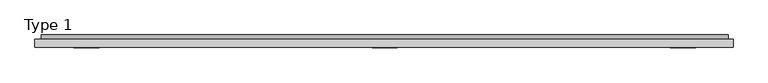
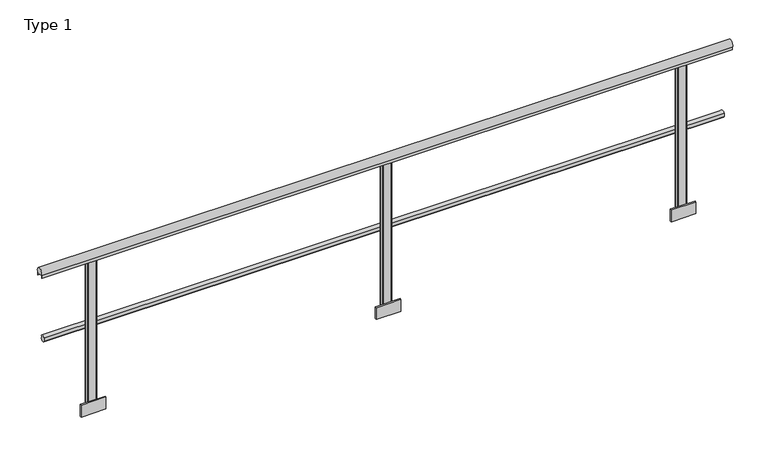
"""IFC4 building model written with IfcOpenShell, lengths in millimetres: railing geometry, Type 1."""

import ifcopenshell
import ifcopenshell.guid

model = None  # the IFC model being written
_history = None  # IfcOwnerHistory: only IFC2X3 demands one
_inside = {}  # id of a spatial element -> (the spatial element, [elements in it])
_under = {}  # id of a project, library or spatial element -> (it, [spatial elements below it])
_declared = {}  # id of a project -> (the project, [libraries it declares])
_typed = {}  # id of a type object -> (the type object, [elements of that type])
_made_of = {}  # id of a material, layer set ... -> (it, [elements and type objects made of it])


def new_model(schema):
    """Start an empty IFC model of exactly this schema.

    Asked for "IFC4X3", IfcOpenShell would pick the latest addendum, in which some entities
    have other attributes; the version numbers below select the first issue.
    IFC2X3 requires an IfcOwnerHistory on every rooted entity: one is made here for all.
    """
    global model, _history
    if schema == "IFC4X3":
        model = ifcopenshell.file(schema_version=(4, 3, 0, 0))
    else:
        model = ifcopenshell.file(schema=schema)
    _inside.clear()
    _under.clear()
    _declared.clear()
    _typed.clear()
    _made_of.clear()
    _history = None
    if model.schema == "IFC2X3":
        org = make("IfcOrganization", Name="unknown")
        user = make(
            "IfcPersonAndOrganization",
            ThePerson=make("IfcPerson", FamilyName="unknown"),
            TheOrganization=org,
        )
        app = make(
            "IfcApplication",
            ApplicationDeveloper=org,
            Version="unknown",
            ApplicationFullName="unknown",
            ApplicationIdentifier="unknown",
        )
        _history = make(
            "IfcOwnerHistory",
            OwningUser=user,
            OwningApplication=app,
            ChangeAction="ADDED",
            CreationDate=0,
        )
    return model


def make(cls, **values):
    """One entity of the class cls with the attributes given. An attribute that is None is left unset."""
    return model.create_entity(
        cls, **{name: value for name, value in values.items() if value is not None}
    )


def rooted(cls, **values):
    """An entity with a GlobalId (a new one), such as an element, a storey or a relation."""
    return make(cls, GlobalId=ifcopenshell.guid.new(), OwnerHistory=_history, **values)


def si_unit(unit_type, name, prefix=None):
    """IfcSIUnit, for example si_unit("LENGTHUNIT", "METRE", prefix="MILLI")."""
    return make("IfcSIUnit", UnitType=unit_type, Prefix=prefix, Name=name)


def assignment(units):
    """IfcUnitAssignment: the units of a project."""
    return None if units is None else make("IfcUnitAssignment", Units=units)


def point(xyz):
    """IfcCartesianPoint."""
    return None if xyz is None else make("IfcCartesianPoint", Coordinates=xyz)


def direction(xyz):
    """IfcDirection."""
    return None if xyz is None else make("IfcDirection", DirectionRatios=xyz)


def frame(location, z_axis=None, x_axis=None):
    """IfcAxis2Placement3D, a coordinate frame: its origin and axes. An axis left out is left unset."""
    return make(
        "IfcAxis2Placement3D",
        Location=point(location),
        Axis=direction(z_axis),
        RefDirection=direction(x_axis),
    )


def frame_2d(location, x_axis=None):
    """IfcAxis2Placement2D, a coordinate frame in the plane: its origin and x axis."""
    return make(
        "IfcAxis2Placement2D", Location=point(location), RefDirection=direction(x_axis)
    )


def origin():
    """The frame at (0, 0, 0) with its axes left unset."""
    return frame((0.0, 0.0, 0.0))


def place(relative_to, where):
    """IfcLocalPlacement: puts the frame where relative to a parent placement (None: the world)."""
    return make(
        "IfcLocalPlacement", PlacementRelTo=relative_to, RelativePlacement=where
    )


def context(
    kind, dimensions, precision=None, world=None, true_north=None, identifier=None
):
    """IfcGeometricRepresentationContext, for example the 3D "Model" context."""
    return make(
        "IfcGeometricRepresentationContext",
        ContextIdentifier=identifier,
        ContextType=kind,
        CoordinateSpaceDimension=dimensions,
        Precision=precision,
        WorldCoordinateSystem=world,
        TrueNorth=true_north,
    )


def project(units=None, contexts=None):
    """IfcProject with its units and contexts."""
    return rooted(
        "IfcProject",
        Name="project",
        RepresentationContexts=contexts,
        UnitsInContext=assignment(units),
    )


def spatial(cls, under=None, at=None, **own):
    """A site, building, storey or space (cls), placed at a placement, below another one or the project."""
    s = rooted(cls, ObjectPlacement=at, **own)
    if under is not None:
        _under.setdefault(under.id(), (under, []))[1].append(s)
    return s


def polyline(points):
    """IfcPolyline through the points."""
    return make("IfcPolyline", Points=[point(p) for p in points])


def circle_curve(where, radius):
    """IfcCircle in the frame where."""
    return make("IfcCircle", Position=where, Radius=radius)


def trimmed(basis, trim1, trim2, sense, master):
    """IfcTrimmedCurve: the piece of a basis curve between two trims."""
    return make(
        "IfcTrimmedCurve",
        BasisCurve=basis,
        Trim1=trim1,
        Trim2=trim2,
        SenseAgreement=sense,
        MasterRepresentation=master,
    )


def segment(curve, same_sense, transition):
    """IfcCompositeCurveSegment."""
    return make(
        "IfcCompositeCurveSegment",
        Transition=transition,
        SameSense=same_sense,
        ParentCurve=curve,
    )


def composite_curve(segments, self_intersect=None):
    """IfcCompositeCurve: segments joined end to end."""
    return make("IfcCompositeCurve", Segments=segments, SelfIntersect=self_intersect)


def outline(outer, holes=None, kind="AREA"):
    """IfcArbitraryClosedProfileDef: a profile drawn as a closed curve; with holes, ...WithVoids."""
    if holes is None:
        return make("IfcArbitraryClosedProfileDef", ProfileType=kind, OuterCurve=outer)
    return make(
        "IfcArbitraryProfileDefWithVoids",
        ProfileType=kind,
        OuterCurve=outer,
        InnerCurves=holes,
    )


def extrude(swept, where, along, depth):
    """IfcExtrudedAreaSolid: the profile swept, set in the frame where, extruded along a direction by depth."""
    return make(
        "IfcExtrudedAreaSolid",
        SweptArea=swept,
        Position=where,
        ExtrudedDirection=direction(along),
        Depth=depth,
    )


def shape(context_of_items, identifier, shape_type, items):
    """IfcShapeRepresentation: the items that make up one representation, for example the "Body"."""
    return make(
        "IfcShapeRepresentation",
        ContextOfItems=context_of_items,
        RepresentationIdentifier=identifier,
        RepresentationType=shape_type,
        Items=items,
    )


def source(mapping_origin, context_of_items, identifier, shape_type, items):
    """IfcRepresentationMap: a shape defined once, which mapped items show again and again."""
    return make(
        "IfcRepresentationMap",
        MappingOrigin=mapping_origin,
        MappedRepresentation=shape(context_of_items, identifier, shape_type, items),
    )


def transform(
    local_origin,
    x_axis=None,
    y_axis=None,
    z_axis=None,
    scale=None,
    scale2=None,
    scale3=None,
    uniform=True,
):
    """IfcCartesianTransformationOperator3D, or its non-uniform kind. x_axis, y_axis, z_axis: its Axis1, 2, 3."""
    if uniform:
        return make(
            "IfcCartesianTransformationOperator3D",
            Axis1=direction(x_axis),
            Axis2=direction(y_axis),
            LocalOrigin=point(local_origin),
            Scale=scale,
            Axis3=direction(z_axis),
        )
    return make(
        "IfcCartesianTransformationOperator3DnonUniform",
        Axis1=direction(x_axis),
        Axis2=direction(y_axis),
        LocalOrigin=point(local_origin),
        Scale=scale,
        Axis3=direction(z_axis),
        Scale2=scale2,
        Scale3=scale3,
    )


def mapped(mapping_source, mapping_target):
    """IfcMappedItem: shows the shape of a source again, moved by a transform."""
    return make(
        "IfcMappedItem", MappingSource=mapping_source, MappingTarget=mapping_target
    )


def made_of(thing, what):
    """Note that an element or type object is made of a material, layer set ...; save() writes the relation."""
    if what is not None:
        _made_of.setdefault(what.id(), (what, []))[1].append(thing)
    return thing


def element(
    cls,
    number,
    at=None,
    inside=None,
    cuts=None,
    type_object=None,
    material=None,
    context=None,
    identifier="Body",
    shape_type=None,
    held_by="IfcProductDefinitionShape",
    body=None,
    shapes=None,
    **own,
):
    """One element of the class cls, such as IfcWall. Its Tag is "e" and its number.

    at: its placement. inside: the storey or other place that contains it. cuts: it is an
    opening in that element (IfcRelVoidsElement). A single representation is given by context,
    identifier, shape_type and body (its items); several are given by shapes. held_by: the class
    of the entity that holds the representations. save() writes the other relations.
    """
    e = rooted(cls, Tag="e%d" % number, ObjectPlacement=at, **own)
    if body is not None:
        shapes = [shape(context, identifier, shape_type, body)]
    if shapes is not None:
        e.Representation = make(held_by, Representations=shapes)
    if inside is not None:
        _inside.setdefault(inside.id(), (inside, []))[1].append(e)
    if cuts is not None:
        rooted(
            "IfcRelVoidsElement", RelatingBuildingElement=cuts, RelatedOpeningElement=e
        )
    if type_object is not None:
        _typed.setdefault(type_object.id(), (type_object, []))[1].append(e)
    return made_of(e, material)


def aggregate(whole, parts):
    """IfcRelAggregates: a whole, such as a stair, and the parts it consists of."""
    return rooted("IfcRelAggregates", RelatingObject=whole, RelatedObjects=parts)


def save(model, path):
    """Write the relations noted so far, then the file.

    IfcRelAggregates (storeys below a building ...), IfcRelContainedInSpatialStructure (elements
    in a storey), IfcRelDefinesByType, IfcRelAssociatesMaterial and IfcRelDeclares: one each for
    every whole, place, type object, material and project.
    """
    for whole, parts in _under.values():
        aggregate(whole, parts)
    for where, things in _inside.values():
        rooted(
            "IfcRelContainedInSpatialStructure",
            RelatedElements=things,
            RelatingStructure=where,
        )
    for kind, things in _typed.values():
        rooted("IfcRelDefinesByType", RelatedObjects=things, RelatingType=kind)
    for what, things in _made_of.values():
        rooted("IfcRelAssociatesMaterial", RelatedObjects=things, RelatingMaterial=what)
    for by, libraries in _declared.values():
        rooted("IfcRelDeclares", RelatingContext=by, RelatedDefinitions=libraries)
    model.write(path)


def type_1_547a4255(model_context):
    return source(origin(), model_context, "Body", "SweptSolid", [
        extrude(outline(composite_curve([segment(trimmed(circle_curve(frame_2d((15.712495, 488.0)), 20.0), [point((34.3, 480.617273))], [point((0.0, 475.6259343))], False, "CARTESIAN"), True, "CONTINUOUS"), segment(polyline([(0.0, 475.6259343), (0.0, 500.3740657)]), True, "CONTINUOUS"), segment(trimmed(circle_curve(frame_2d((15.712495, 488.0)), 20.0), [point((0.0, 500.3740657))], [point((34.3, 495.382727))], False, "CARTESIAN"), True, "CONTINUOUS"), segment(polyline([(34.3, 495.382727), (30.3, 495.382727), (30.3, 480.617273), (34.3, 480.617273)]), True, "CONTINUOUS")], self_intersect=False)), frame((-260.0, 0.0, 0.0), z_axis=(1.0, 0.0, 0.0), x_axis=(0.0, 1.0, 0.0)), (0.0, 0.0, 1.0), 4360.0),
        extrude(outline(composite_curve([segment(trimmed(circle_curve(frame_2d((-19.0, 975.0)), 25.0), [point((-40.0, 961.43534))], [point((2.0, 961.43534))], False, "CARTESIAN"), True, "CONTINUOUS"), segment(polyline([(2.0, 961.43534), (2.0, 943.0), (1.0, 943.0), (1.0, 958.0), (-39.0, 958.0), (-39.0, 943.0), (-40.0, 943.0), (-40.0, 961.43534)]), True, "CONTINUOUS")], self_intersect=False)), frame((-300.0, 0.0, 0.0), z_axis=(1.0, 0.0, 0.0), x_axis=(0.0, 1.0, 0.0)), (0.0, 0.0, 1.0), 4430.0),
        extrude(outline(polyline([(2000.0, -48.5), (1840.0, -48.5), (1840.0, -38.0), (2000.0, -38.0), (2000.0, -48.5)])), frame((0.0, 0.0, -80.0), z_axis=(0.0, 0.0, 1.0), x_axis=(1.0, 0.0, 0.0)), (0.0, 0.0, 1.0), 80.0),
        extrude(outline(composite_curve([segment(trimmed(circle_curve(frame_2d((1897.0, -33.0)), 5.0), [point((1897.0, -38.0))], [point((1892.0, -33.0))], False, "CARTESIAN"), True, "CONTINUOUS"), segment(polyline([(1892.0, -33.0), (1892.0, -5.0)]), True, "CONTINUOUS"), segment(trimmed(circle_curve(frame_2d((1897.0, -5.0)), 5.0), [point((1892.0, -5.0))], [point((1897.0, 0.0))], False, "CARTESIAN"), True, "CONTINUOUS"), segment(polyline([(1897.0, 0.0), (1943.0, 0.0)]), True, "CONTINUOUS"), segment(trimmed(circle_curve(frame_2d((1943.0, -5.0)), 5.0), [point((1943.0, 0.0))], [point((1948.0, -5.0))], False, "CARTESIAN"), True, "CONTINUOUS"), segment(polyline([(1948.0, -5.0), (1948.0, -33.0)]), True, "CONTINUOUS"), segment(trimmed(circle_curve(frame_2d((1943.0, -33.0)), 5.0), [point((1948.0, -33.0))], [point((1943.0, -38.0))], False, "CARTESIAN"), True, "CONTINUOUS"), segment(polyline([(1943.0, -38.0), (1897.0, -38.0)]), True, "CONTINUOUS")], self_intersect=False)), frame((0.0, 0.0, -80.0), z_axis=(0.0, 0.0, 1.0), x_axis=(1.0, 0.0, 0.0)), (0.0, 0.0, 1.0), 1038.0),
        extrude(outline(polyline([(3892.0, -48.5), (3732.0, -48.5), (3732.0, -38.0), (3892.0, -38.0), (3892.0, -48.5)])), frame((0.0, 0.0, -80.0), z_axis=(0.0, 0.0, 1.0), x_axis=(1.0, 0.0, 0.0)), (0.0, 0.0, 1.0), 80.0),
        extrude(outline(composite_curve([segment(trimmed(circle_curve(frame_2d((3789.0, -33.0)), 5.0), [point((3789.0, -38.0))], [point((3784.0, -33.0))], False, "CARTESIAN"), True, "CONTINUOUS"), segment(polyline([(3784.0, -33.0), (3784.0, -5.0)]), True, "CONTINUOUS"), segment(trimmed(circle_curve(frame_2d((3789.0, -5.0)), 5.0), [point((3784.0, -5.0))], [point((3789.0, 0.0))], False, "CARTESIAN"), True, "CONTINUOUS"), segment(polyline([(3789.0, 0.0), (3835.0, 0.0)]), True, "CONTINUOUS"), segment(trimmed(circle_curve(frame_2d((3835.0, -5.0)), 5.0), [point((3835.0, 0.0))], [point((3840.0, -5.0))], False, "CARTESIAN"), True, "CONTINUOUS"), segment(polyline([(3840.0, -5.0), (3840.0, -33.0)]), True, "CONTINUOUS"), segment(trimmed(circle_curve(frame_2d((3835.0, -33.0)), 5.0), [point((3840.0, -33.0))], [point((3835.0, -38.0))], False, "CARTESIAN"), True, "CONTINUOUS"), segment(polyline([(3835.0, -38.0), (3789.0, -38.0)]), True, "CONTINUOUS")], self_intersect=False)), frame((0.0, 0.0, -80.0), z_axis=(0.0, 0.0, 1.0), x_axis=(1.0, 0.0, 0.0)), (0.0, 0.0, 1.0), 1038.0),
        extrude(outline(polyline([(108.0, -48.5), (-52.0, -48.5), (-52.0, -38.0), (108.0, -38.0), (108.0, -48.5)])), frame((0.0, 0.0, -80.0), z_axis=(0.0, 0.0, 1.0), x_axis=(1.0, 0.0, 0.0)), (0.0, 0.0, 1.0), 80.0),
        extrude(outline(composite_curve([segment(trimmed(circle_curve(frame_2d((5.0, -33.0)), 5.0), [point((5.0, -38.0))], [point((0.0, -33.0))], False, "CARTESIAN"), True, "CONTINUOUS"), segment(polyline([(0.0, -33.0), (0.0, -5.0)]), True, "CONTINUOUS"), segment(trimmed(circle_curve(frame_2d((5.0, -5.0)), 5.0), [point((0.0, -5.0))], [point((5.0, 0.0))], False, "CARTESIAN"), True, "CONTINUOUS"), segment(polyline([(5.0, 0.0), (51.0, 0.0)]), True, "CONTINUOUS"), segment(trimmed(circle_curve(frame_2d((51.0, -5.0)), 5.0), [point((51.0, 0.0))], [point((56.0, -5.0))], False, "CARTESIAN"), True, "CONTINUOUS"), segment(polyline([(56.0, -5.0), (56.0, -33.0)]), True, "CONTINUOUS"), segment(trimmed(circle_curve(frame_2d((51.0, -33.0)), 5.0), [point((56.0, -33.0))], [point((51.0, -38.0))], False, "CARTESIAN"), True, "CONTINUOUS"), segment(polyline([(51.0, -38.0), (5.0, -38.0)]), True, "CONTINUOUS")], self_intersect=False)), frame((0.0, 0.0, -80.0), z_axis=(0.0, 0.0, 1.0), x_axis=(1.0, 0.0, 0.0)), (0.0, 0.0, 1.0), 1038.0),
    ])


if __name__ == "__main__":
    model = new_model("IFC4")
    model_context = context("Model", 3, world=origin())
    ifc_project = project(units=[si_unit("LENGTHUNIT", "METRE", prefix="MILLI")], contexts=[model_context])
    site = spatial("IfcSite", under=ifc_project)
    building = spatial("IfcBuilding", under=site)
    placement = place(None, origin())
    type_1_shape = type_1_547a4255(model_context)
    element("IfcRailing", 1, ObjectType="Type 1", at=placement, inside=building, context=model_context, shape_type="MappedRepresentation", body=[
        mapped(type_1_shape, transform((0.0, 0.0, 0.0), x_axis=(1.0, 0.0, 0.0), y_axis=(0.0, 1.0, 0.0), z_axis=(0.0, 0.0, 1.0))),
    ])
    save(model, "model.ifc")
